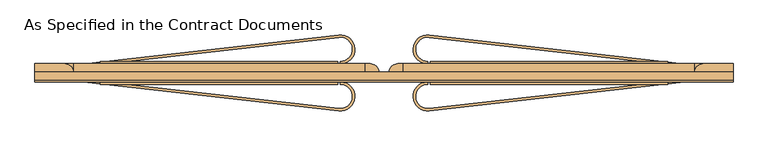
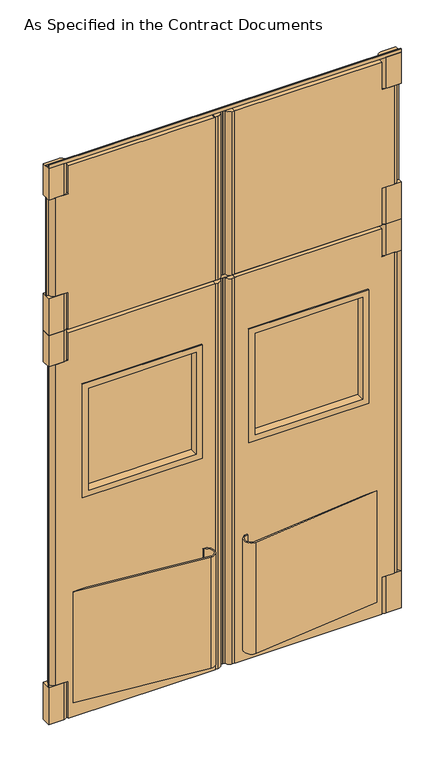
"""IFC4 building model written with IfcOpenShell, lengths in millimetres: door geometry, As Specified in the Contract Documents."""

from ifc_helpers import new_model, si_unit, point, frame, frame_2d, origin, origin_with_axes, place, context, project, spatial, polyline, circle_curve, trimmed, segment, composite_curve, outline, extrude, faceted_brep, source, transform, mapped, element, save
from ifc_brep_helpers import plane_surface, cylinder_surface, advanced_brep


def as_specified_in_the_contract_documents_6c397027(model_context):
    return source(origin(), model_context, "Body", "SolidModel", [
        advanced_brep(
        [(-790.575, 80.1625, 3028.95), (-28.575, 80.1625, 3028.95), (-28.575, 80.1625, 2133.6), (-790.575, 80.1625, 2133.6), (-790.575, 80.1625, 2336.8), (-855.6625, 80.1625, 2336.8), (-855.6625, 80.1625, 2876.55), (-790.575, 80.1625, 2876.55), (-790.575, 32.5375, 3028.95), (-790.575, 32.5375, 2876.55), (-855.6625, 32.5375, 2876.55), (-855.6625, 32.5375, 2336.8), (-790.575, 32.5375, 2336.8), (-790.575, 32.5375, 2133.6), (-28.575, 32.5375, 2133.6), (-28.575, 32.5375, 3028.95)],
        [
            (0, 1),
            (1, 2),
            (2, 3),
            (3, 4),
            (4, 5),
            (5, 6),
            (6, 7),
            (7, 0),
            (8, 9),
            (9, 10),
            (10, 11),
            (11, 12),
            (12, 13),
            (13, 14),
            (14, 15),
            (15, 8),
            (7, 9),
            (8, 0),
            (6, 10, circle_curve(frame((-855.6625, 56.35, 2876.55), z_axis=(0.0, 0.0, 1.0), x_axis=(-1.0, 0.0, 0.0)), 23.8125)),
            (4, 12),
            (11, 5, circle_curve(frame((-855.6625, 56.35, 2336.8), z_axis=(0.0, 0.0, -1.0), x_axis=(-1.0, 0.0, 0.0)), 23.8125)),
            (3, 13),
            (2, 14),
            (1, 15),
        ],
        [
            plane_surface(frame((-790.575, 80.1625, 3028.95), z_axis=(0.0, 1.0, 0.0), x_axis=(0.0, 0.0, -1.0))),
            plane_surface(frame((-790.575, 32.5375, 3028.95), z_axis=(0.0, -1.0, 0.0), x_axis=(0.0, 0.0, 1.0))),
            plane_surface(frame((-790.575, 80.1625, 3028.95), z_axis=(-1.0, 0.0, 0.0), x_axis=(0.0, -1.0, 0.0))),
            plane_surface(frame((-790.575, 80.1625, 2876.55), z_axis=(0.0, 0.0, 1.0), x_axis=(0.0, -1.0, 0.0))),
            plane_surface(frame((-842.9625, 80.1625, 2336.8), z_axis=(0.0, 0.0, -1.0), x_axis=(0.0, -1.0, 0.0))),
            plane_surface(frame((-790.575, 80.1625, 2336.8), z_axis=(-1.0, 0.0, 0.0), x_axis=(0.0, -1.0, 0.0))),
            plane_surface(frame((-790.575, 80.1625, 2133.6), z_axis=(0.0, 0.0, -1.0), x_axis=(0.0, -1.0, 0.0))),
            plane_surface(frame((-28.575, 80.1625, 2133.6), z_axis=(1.0, 0.0, 0.0), x_axis=(0.0, -1.0, 0.0))),
            plane_surface(frame((-28.575, 80.1625, 3028.95), z_axis=(0.0, 0.0, 1.0), x_axis=(0.0, -1.0, 0.0))),
            cylinder_surface(frame((-855.6625, 56.35, 2336.8), z_axis=(0.0, 0.0, 1.0), x_axis=(-1.0, 0.0, 0.0)), 23.8125),
        ],
        [
            (0, [[1, 2, 3, 4, 5, 6, 7, 8]]),
            (1, [[9, 10, 11, 12, 13, 14, 15, 16]]),
            (2, [[17, -9, 18, -8]]),
            (3, [[19, -10, -17, -7]]),
            (4, [[20, -12, 21, -5]]),
            (5, [[22, -13, -20, -4]]),
            (6, [[23, -14, -22, -3]]),
            (7, [[24, -15, -23, -2]]),
            (8, [[-18, -16, -24, -1]]),
            (9, [[-6, -21, -11, -19]]),
        ],
    ),
        extrude(outline(composite_curve([segment(trimmed(circle_curve(frame_2d((-14.2875, 56.35)), 23.8125), [point((-14.2875, 80.1625))], [point((9.4720244, 57.9375))], False, "CARTESIAN"), True, "CONTINUOUS"), segment(polyline([(9.4720244, 57.9375), (22.225, 57.9375), (22.225, 54.7625), (9.4720244, 54.7625)]), True, "CONTINUOUS"), segment(trimmed(circle_curve(frame_2d((-14.2875, 56.35)), 23.8125), [point((9.4720244, 54.7625))], [point((-14.2875, 32.5375))], False, "CARTESIAN"), True, "CONTINUOUS"), segment(polyline([(-14.2875, 32.5375), (-33.3375, 32.5375), (-33.3375, 80.1625), (-14.2875, 80.1625)]), True, "CONTINUOUS")], self_intersect=False)), frame((0.0, 0.0, 2133.6), z_axis=(0.0, 0.0, 1.0), x_axis=(1.0, 0.0, 0.0)), (0.0, 0.0, 1.0), 895.35),
        extrude(outline(composite_curve([segment(polyline([(-814.3875, 32.5375), (-892.175, 32.5375), (-892.175, 80.1625), (-814.3875, 80.1625)]), True, "CONTINUOUS"), segment(trimmed(circle_curve(frame_2d((-814.3875, 56.35)), 23.8125), [point((-814.3875, 80.1625))], [point((-814.3875, 32.5375))], False, "CARTESIAN"), True, "CONTINUOUS")], self_intersect=False)), frame((0.0, 0.0, 2876.55), z_axis=(0.0, 0.0, 1.0), x_axis=(1.0, 0.0, 0.0)), (0.0, 0.0, 1.0), 171.45),
        extrude(outline(composite_curve([segment(polyline([(-814.3875, 32.5375), (-892.175, 32.5375), (-892.175, 80.1625), (-814.3875, 80.1625)]), True, "CONTINUOUS"), segment(trimmed(circle_curve(frame_2d((-814.3875, 56.35)), 23.8125), [point((-814.3875, 80.1625))], [point((-814.3875, 32.5375))], False, "CARTESIAN"), True, "CONTINUOUS")], self_intersect=False)), frame((0.0, 0.0, 2133.6), z_axis=(0.0, 0.0, 1.0), x_axis=(1.0, 0.0, 0.0)), (0.0, 0.0, 1.0), 203.2),
        extrude(outline(polyline([(-879.475, 57.9375), (-879.475, 54.7625), (-892.175, 54.7625), (-892.175, 57.9375), (-879.475, 57.9375)])), frame((0.0, 0.0, 2336.8), z_axis=(0.0, 0.0, 1.0), x_axis=(1.0, 0.0, 0.0)), (0.0, 0.0, 1.0), 539.75),
        advanced_brep(
        [(835.025, 80.1625, 3028.95), (835.025, 80.1625, 2876.55), (900.1125, 80.1625, 2876.55), (900.1125, 80.1625, 2336.8), (835.025, 80.1625, 2336.8), (835.025, 80.1625, 2133.6), (73.025, 80.1625, 2133.6), (73.025, 80.1625, 3028.95), (835.025, 32.5375, 3028.95), (73.025, 32.5375, 3028.95), (73.025, 32.5375, 2133.6), (835.025, 32.5375, 2133.6), (835.025, 32.5375, 2336.8), (900.1125, 32.5375, 2336.8), (900.1125, 32.5375, 2876.55), (835.025, 32.5375, 2876.55)],
        [
            (0, 1),
            (1, 2),
            (2, 3),
            (3, 4),
            (4, 5),
            (5, 6),
            (6, 7),
            (7, 0),
            (8, 9),
            (9, 10),
            (10, 11),
            (11, 12),
            (12, 13),
            (13, 14),
            (14, 15),
            (15, 8),
            (0, 8),
            (15, 1),
            (14, 2, circle_curve(frame((900.1125, 56.35, 2876.55), z_axis=(0.0, 0.0, 1.0), x_axis=(1.0, 0.0, 0.0)), 23.8125)),
            (3, 13, circle_curve(frame((900.1125, 56.35, 2336.8), z_axis=(0.0, 0.0, -1.0), x_axis=(1.0, 0.0, 0.0)), 23.8125)),
            (12, 4),
            (11, 5),
            (10, 6),
            (9, 7),
        ],
        [
            plane_surface(frame((835.025, 80.1625, 3028.95), z_axis=(0.0, 1.0, 0.0), x_axis=(0.0, 0.0, -1.0))),
            plane_surface(frame((835.025, 32.5375, 3028.95), z_axis=(0.0, -1.0, 0.0), x_axis=(0.0, 0.0, 1.0))),
            plane_surface(frame((835.025, 80.1625, 3028.95), z_axis=(1.0, 0.0, 0.0), x_axis=(0.0, -1.0, 0.0))),
            plane_surface(frame((835.025, 80.1625, 2876.55), z_axis=(0.0, 0.0, 1.0), x_axis=(0.0, -1.0, 0.0))),
            plane_surface(frame((887.4125, 80.1625, 2336.8), z_axis=(0.0, 0.0, -1.0), x_axis=(0.0, -1.0, 0.0))),
            plane_surface(frame((835.025, 80.1625, 2336.8), z_axis=(1.0, 0.0, 0.0), x_axis=(0.0, -1.0, 0.0))),
            plane_surface(frame((835.025, 80.1625, 2133.6), z_axis=(0.0, 0.0, -1.0), x_axis=(0.0, -1.0, 0.0))),
            plane_surface(frame((73.025, 80.1625, 2133.6), z_axis=(-1.0, 0.0, 0.0), x_axis=(0.0, -1.0, 0.0))),
            plane_surface(frame((73.025, 80.1625, 3028.95), z_axis=(0.0, 0.0, 1.0), x_axis=(0.0, -1.0, 0.0))),
            cylinder_surface(frame((900.1125, 56.35, 2336.8), z_axis=(0.0, 0.0, 1.0), x_axis=(1.0, 0.0, 0.0)), 23.8125),
        ],
        [
            (0, [[1, 2, 3, 4, 5, 6, 7, 8]]),
            (1, [[9, 10, 11, 12, 13, 14, 15, 16]]),
            (2, [[-1, 17, -16, 18]]),
            (3, [[-2, -18, -15, 19]]),
            (4, [[-4, 20, -13, 21]]),
            (5, [[-5, -21, -12, 22]]),
            (6, [[-6, -22, -11, 23]]),
            (7, [[-7, -23, -10, 24]]),
            (8, [[-8, -24, -9, -17]]),
            (9, [[-19, -14, -20, -3]]),
        ],
    ),
        extrude(outline(composite_curve([segment(polyline([(58.7375, 80.1625), (77.7875, 80.1625), (77.7875, 32.5375), (58.7375, 32.5375)]), True, "CONTINUOUS"), segment(trimmed(circle_curve(frame_2d((58.7375, 56.35)), 23.8125), [point((58.7375, 32.5375))], [point((34.9779756, 54.7625))], False, "CARTESIAN"), True, "CONTINUOUS"), segment(polyline([(34.9779756, 54.7625), (22.225, 54.7625), (22.225, 57.9375), (34.9779756, 57.9375)]), True, "CONTINUOUS"), segment(trimmed(circle_curve(frame_2d((58.7375, 56.35)), 23.8125), [point((34.9779756, 57.9375))], [point((58.7375, 80.1625))], False, "CARTESIAN"), True, "CONTINUOUS")], self_intersect=False)), frame((0.0, 0.0, 2133.6), z_axis=(0.0, 0.0, 1.0), x_axis=(1.0, 0.0, 0.0)), (0.0, 0.0, 1.0), 895.35),
        extrude(outline(composite_curve([segment(trimmed(circle_curve(frame_2d((858.8375, 56.35)), 23.8125), [point((858.8375, 32.5375))], [point((858.8375, 80.1625))], False, "CARTESIAN"), True, "CONTINUOUS"), segment(polyline([(858.8375, 80.1625), (936.625, 80.1625), (936.625, 32.5375), (858.8375, 32.5375)]), True, "CONTINUOUS")], self_intersect=False)), frame((0.0, 0.0, 2876.55), z_axis=(0.0, 0.0, 1.0), x_axis=(1.0, 0.0, 0.0)), (0.0, 0.0, 1.0), 171.45),
        extrude(outline(composite_curve([segment(trimmed(circle_curve(frame_2d((858.8375, 56.35)), 23.8125), [point((858.8375, 32.5375))], [point((858.8375, 80.1625))], False, "CARTESIAN"), True, "CONTINUOUS"), segment(polyline([(858.8375, 80.1625), (936.625, 80.1625), (936.625, 32.5375), (858.8375, 32.5375)]), True, "CONTINUOUS")], self_intersect=False)), frame((0.0, 0.0, 2133.6), z_axis=(0.0, 0.0, 1.0), x_axis=(1.0, 0.0, 0.0)), (0.0, 0.0, 1.0), 203.2),
        extrude(outline(polyline([(923.925, 57.9375), (936.625, 57.9375), (936.625, 54.7625), (923.925, 54.7625), (923.925, 57.9375)])), frame((0.0, 0.0, 2336.8), z_axis=(0.0, 0.0, 1.0), x_axis=(1.0, 0.0, 0.0)), (0.0, 0.0, 1.0), 539.75),
        extrude(outline(composite_curve([segment(polyline([(-96.3744322, -43.4191359), (-765.175, 32.5375), (-708.9036164, 32.5375), (-95.6578602, -37.1096966)]), True, "CONTINUOUS"), segment(trimmed(circle_curve(frame_2d((-92.075, -5.5625)), 31.75), [point((-95.6578602, -37.1096966))], [point((-92.075, 26.1875))], True, "CARTESIAN"), True, "CONTINUOUS"), segment(polyline([(-92.075, 26.1875), (-92.075, 32.5375)]), True, "CONTINUOUS"), segment(trimmed(circle_curve(frame_2d((-92.075, -5.5625)), 38.1), [point((-92.075, 32.5375))], [point((-96.3744322, -43.4191359))], False, "CARTESIAN"), True, "CONTINUOUS")], self_intersect=False)), frame((0.0, 0.0, 76.2), z_axis=(0.0, 0.0, 1.0), x_axis=(1.0, 0.0, 0.0)), (0.0, 0.0, 1.0), 609.6),
        extrude(outline(composite_curve([segment(trimmed(circle_curve(frame_2d((-92.075, 118.2625)), 38.1), [point((-96.3744322, 156.1191359))], [point((-92.075, 80.1625))], False, "CARTESIAN"), True, "CONTINUOUS"), segment(polyline([(-92.075, 80.1625), (-92.075, 86.5125)]), True, "CONTINUOUS"), segment(trimmed(circle_curve(frame_2d((-92.075, 118.2625)), 31.75), [point((-92.075, 86.5125))], [point((-95.6578602, 149.8096966))], True, "CARTESIAN"), True, "CONTINUOUS"), segment(polyline([(-95.6578602, 149.8096966), (-708.9036164, 80.1625), (-765.175, 80.1625), (-96.3744322, 156.1191359)]), True, "CONTINUOUS")], self_intersect=False)), frame((0.0, 0.0, 76.2), z_axis=(0.0, 0.0, 1.0), x_axis=(1.0, 0.0, 0.0)), (0.0, 0.0, 1.0), 609.6),
        extrude(outline(polyline([(-892.175, 35.7125), (-879.475, 57.9375), (-879.475, 54.7625), (-892.175, 32.5375), (-892.175, 35.7125)])), frame((0.0, 0.0, 203.2), z_axis=(0.0, 0.0, 1.0), x_axis=(1.0, 0.0, 0.0)), (0.0, 0.0, 1.0), 1758.95),
        advanced_brep(
        [(-790.575, 80.1625, 2114.55), (-28.575, 80.1625, 2114.55), (-28.575, 80.1625, 0.0), (-790.575, 80.1625, 0.0), (-790.575, 80.1625, 203.2), (-855.6625, 80.1625, 203.2), (-855.6625, 80.1625, 1962.15), (-790.575, 80.1625, 1962.15), (-695.325, 80.1625, 1784.35), (-695.325, 80.1625, 1212.85), (-123.825, 80.1625, 1212.85), (-123.825, 80.1625, 1784.35), (-790.575, 32.5375, 2114.55), (-790.575, 32.5375, 1962.15), (-855.6625, 32.5375, 1962.15), (-855.6625, 32.5375, 203.2), (-790.575, 32.5375, 203.2), (-790.575, 32.5375, 0.0), (-28.575, 32.5375, 0.0), (-28.575, 32.5375, 2114.55), (-695.325, 32.5375, 1784.35), (-123.825, 32.5375, 1784.35), (-123.825, 32.5375, 1212.85), (-695.325, 32.5375, 1212.85)],
        [
            (0, 1),
            (1, 2),
            (2, 3),
            (3, 4),
            (4, 5),
            (5, 6),
            (6, 7),
            (7, 0),
            (8, 9),
            (9, 10),
            (10, 11),
            (11, 8),
            (12, 13),
            (13, 14),
            (14, 15),
            (15, 16),
            (16, 17),
            (17, 18),
            (18, 19),
            (19, 12),
            (20, 21),
            (21, 22),
            (22, 23),
            (23, 20),
            (7, 13),
            (12, 0),
            (6, 14, circle_curve(frame((-855.6625, 56.35, 1962.15), z_axis=(0.0, 0.0, 1.0), x_axis=(-1.0, 0.0, 0.0)), 23.8125)),
            (4, 16),
            (15, 5, circle_curve(frame((-855.6625, 56.35, 203.2), z_axis=(0.0, 0.0, -1.0), x_axis=(-1.0, 0.0, 0.0)), 23.8125)),
            (3, 17),
            (2, 18),
            (1, 19),
            (11, 21),
            (20, 8),
            (10, 22),
            (9, 23),
        ],
        [
            plane_surface(frame((-790.575, 80.1625, 2114.55), z_axis=(0.0, 1.0, 0.0), x_axis=(0.0, 0.0, -1.0))),
            plane_surface(frame((-790.575, 32.5375, 2114.55), z_axis=(0.0, -1.0, 0.0), x_axis=(0.0, 0.0, 1.0))),
            plane_surface(frame((-790.575, 80.1625, 2114.55), z_axis=(-1.0, 0.0, 0.0), x_axis=(0.0, -1.0, 0.0))),
            plane_surface(frame((-790.575, 80.1625, 1962.15), z_axis=(0.0, 0.0, 1.0), x_axis=(0.0, -1.0, 0.0))),
            plane_surface(frame((-842.9625, 80.1625, 203.2), z_axis=(0.0, 0.0, -1.0), x_axis=(0.0, -1.0, 0.0))),
            plane_surface(frame((-790.575, 80.1625, 203.2), z_axis=(-1.0, 0.0, 0.0), x_axis=(0.0, -1.0, 0.0))),
            plane_surface(frame((-790.575, 80.1625, 0.0), z_axis=(0.0, 0.0, -1.0), x_axis=(0.0, -1.0, 0.0))),
            plane_surface(frame((-28.575, 80.1625, 0.0), z_axis=(1.0, 0.0, 0.0), x_axis=(0.0, -1.0, 0.0))),
            plane_surface(frame((-28.575, 80.1625, 2114.55), z_axis=(0.0, 0.0, 1.0), x_axis=(0.0, -1.0, 0.0))),
            plane_surface(frame((-695.325, 80.1625, 1784.35), z_axis=(0.0, 0.0, -1.0), x_axis=(0.0, -1.0, 0.0))),
            plane_surface(frame((-123.825, 80.1625, 1784.35), z_axis=(-1.0, 0.0, 0.0), x_axis=(0.0, -1.0, 0.0))),
            plane_surface(frame((-123.825, 80.1625, 1212.85), z_axis=(0.0, 0.0, 1.0), x_axis=(0.0, -1.0, 0.0))),
            plane_surface(frame((-695.325, 80.1625, 1212.85), z_axis=(1.0, 0.0, 0.0), x_axis=(0.0, -1.0, 0.0))),
            cylinder_surface(frame((-855.6625, 56.35, 203.2), z_axis=(0.0, 0.0, 1.0), x_axis=(-1.0, 0.0, 0.0)), 23.8125),
        ],
        [
            (0, [[1, 2, 3, 4, 5, 6, 7, 8], [9, 10, 11, 12]]),
            (1, [[13, 14, 15, 16, 17, 18, 19, 20], [21, 22, 23, 24]]),
            (2, [[25, -13, 26, -8]]),
            (3, [[27, -14, -25, -7]]),
            (4, [[28, -16, 29, -5]]),
            (5, [[30, -17, -28, -4]]),
            (6, [[31, -18, -30, -3]]),
            (7, [[32, -19, -31, -2]]),
            (8, [[-26, -20, -32, -1]]),
            (9, [[33, -21, 34, -12]]),
            (10, [[35, -22, -33, -11]]),
            (11, [[36, -23, -35, -10]]),
            (12, [[-34, -24, -36, -9]]),
            (13, [[-6, -29, -15, -27]]),
        ],
    ),
        extrude(outline(composite_curve([segment(trimmed(circle_curve(frame_2d((-14.2875, 56.35)), 23.8125), [point((-14.2875, 80.1625))], [point((9.4720244, 57.9375))], False, "CARTESIAN"), True, "CONTINUOUS"), segment(polyline([(9.4720244, 57.9375), (22.225, 57.9375), (22.225, 54.7625), (9.4720244, 54.7625)]), True, "CONTINUOUS"), segment(trimmed(circle_curve(frame_2d((-14.2875, 56.35)), 23.8125), [point((9.4720244, 54.7625))], [point((-14.2875, 32.5375))], False, "CARTESIAN"), True, "CONTINUOUS"), segment(polyline([(-14.2875, 32.5375), (-33.3375, 32.5375), (-33.3375, 80.1625), (-14.2875, 80.1625)]), True, "CONTINUOUS")], self_intersect=False)), origin_with_axes(), (0.0, 0.0, 1.0), 2114.55),
        extrude(outline(composite_curve([segment(polyline([(-814.3875, 32.5375), (-892.175, 32.5375), (-892.175, 80.1625), (-814.3875, 80.1625)]), True, "CONTINUOUS"), segment(trimmed(circle_curve(frame_2d((-814.3875, 56.35)), 23.8125), [point((-814.3875, 80.1625))], [point((-814.3875, 32.5375))], False, "CARTESIAN"), True, "CONTINUOUS")], self_intersect=False)), frame((0.0, 0.0, 1962.15), z_axis=(0.0, 0.0, 1.0), x_axis=(1.0, 0.0, 0.0)), (0.0, 0.0, 1.0), 171.45),
        extrude(outline(composite_curve([segment(polyline([(-814.3875, 32.5375), (-892.175, 32.5375), (-892.175, 80.1625), (-814.3875, 80.1625)]), True, "CONTINUOUS"), segment(trimmed(circle_curve(frame_2d((-814.3875, 56.35)), 23.8125), [point((-814.3875, 80.1625))], [point((-814.3875, 32.5375))], False, "CARTESIAN"), True, "CONTINUOUS")], self_intersect=False)), origin_with_axes(), (0.0, 0.0, 1.0), 203.2),
        extrude(outline(polyline([(-688.975, 70.6375), (-688.975, 73.8125), (-130.175, 73.8125), (-130.175, 70.6375), (-688.975, 70.6375)])), frame((0.0, 0.0, 1219.2), z_axis=(0.0, 0.0, 1.0), x_axis=(1.0, 0.0, 0.0)), (0.0, 0.0, 1.0), 558.8),
        faceted_brep([(-130.175, 26.1875, 1778.0), (-688.975, 26.1875, 1778.0), (-688.975, 86.5125, 1778.0), (-130.175, 86.5125, 1778.0), (-98.425, 32.5375, 1809.75), (-720.725, 32.5375, 1809.75), (-720.725, 26.1875, 1809.75), (-98.425, 26.1875, 1809.75), (-123.825, 80.1625, 1784.35), (-695.325, 80.1625, 1784.35), (-695.325, 32.5375, 1784.35), (-123.825, 32.5375, 1784.35), (-98.425, 86.5125, 1809.75), (-720.725, 86.5125, 1809.75), (-720.725, 80.1625, 1809.75), (-98.425, 80.1625, 1809.75), (-688.975, 26.1875, 1219.2), (-688.975, 86.5125, 1219.2), (-720.725, 32.5375, 1187.45), (-720.725, 26.1875, 1187.45), (-695.325, 80.1625, 1212.85), (-695.325, 32.5375, 1212.85), (-720.725, 86.5125, 1187.45), (-720.725, 80.1625, 1187.45), (-130.175, 26.1875, 1219.2), (-130.175, 86.5125, 1219.2), (-98.425, 32.5375, 1187.45), (-98.425, 26.1875, 1187.45), (-123.825, 80.1625, 1212.85), (-123.825, 32.5375, 1212.85), (-98.425, 86.5125, 1187.45), (-98.425, 80.1625, 1187.45)], [[[0, 1, 2, 3]], [[4, 5, 6, 7]], [[8, 9, 10, 11]], [[12, 13, 14, 15]], [[1, 16, 17, 2]], [[5, 18, 19, 6]], [[9, 20, 21, 10]], [[13, 22, 23, 14]], [[16, 24, 25, 17]], [[18, 26, 27, 19]], [[20, 28, 29, 21]], [[22, 30, 31, 23]], [[24, 0, 3, 25]], [[7, 6, 19, 27], [1, 0, 24, 16]], [[26, 4, 7, 27]], [[5, 4, 26, 18], [11, 10, 21, 29]], [[28, 8, 11, 29]], [[15, 14, 23, 31], [9, 8, 28, 20]], [[30, 12, 15, 31]], [[13, 12, 30, 22], [3, 2, 17, 25]]]),
        extrude(outline(composite_curve([segment(trimmed(circle_curve(frame_2d((136.525, -5.5625)), 38.1), [point((140.8244322, -43.4191359))], [point((136.525, 32.5375))], False, "CARTESIAN"), True, "CONTINUOUS"), segment(polyline([(136.525, 32.5375), (136.525, 26.1875)]), True, "CONTINUOUS"), segment(trimmed(circle_curve(frame_2d((136.525, -5.5625)), 31.75), [point((136.525, 26.1875))], [point((140.1078602, -37.1096966))], True, "CARTESIAN"), True, "CONTINUOUS"), segment(polyline([(140.1078602, -37.1096966), (753.3536164, 32.5375), (809.625, 32.5375), (140.8244322, -43.4191359)]), True, "CONTINUOUS")], self_intersect=False)), frame((0.0, 0.0, 76.2), z_axis=(0.0, 0.0, 1.0), x_axis=(1.0, 0.0, 0.0)), (0.0, 0.0, 1.0), 609.6),
        extrude(outline(composite_curve([segment(polyline([(140.8244322, 156.1191359), (809.625, 80.1625), (753.3536164, 80.1625), (140.1078602, 149.8096966)]), True, "CONTINUOUS"), segment(trimmed(circle_curve(frame_2d((136.525, 118.2625)), 31.75), [point((140.1078602, 149.8096966))], [point((136.525, 86.5125))], True, "CARTESIAN"), True, "CONTINUOUS"), segment(polyline([(136.525, 86.5125), (136.525, 80.1625)]), True, "CONTINUOUS"), segment(trimmed(circle_curve(frame_2d((136.525, 118.2625)), 38.1), [point((136.525, 80.1625))], [point((140.8244322, 156.1191359))], False, "CARTESIAN"), True, "CONTINUOUS")], self_intersect=False)), frame((0.0, 0.0, 76.2), z_axis=(0.0, 0.0, 1.0), x_axis=(1.0, 0.0, 0.0)), (0.0, 0.0, 1.0), 609.6),
        extrude(outline(polyline([(936.625, 35.7125), (936.625, 32.5375), (923.925, 54.7625), (923.925, 57.9375), (936.625, 35.7125)])), frame((0.0, 0.0, 203.2), z_axis=(0.0, 0.0, 1.0), x_axis=(1.0, 0.0, 0.0)), (0.0, 0.0, 1.0), 1758.95),
        advanced_brep(
        [(835.025, 80.1625, 2114.55), (835.025, 80.1625, 1962.15), (900.1125, 80.1625, 1962.15), (900.1125, 80.1625, 203.2), (835.025, 80.1625, 203.2), (835.025, 80.1625, 0.0), (73.025, 80.1625, 0.0), (73.025, 80.1625, 2114.55), (739.775, 80.1625, 1784.35), (168.275, 80.1625, 1784.35), (168.275, 80.1625, 1212.85), (739.775, 80.1625, 1212.85), (835.025, 32.5375, 2114.55), (73.025, 32.5375, 2114.55), (73.025, 32.5375, 0.0), (835.025, 32.5375, 0.0), (835.025, 32.5375, 203.2), (900.1125, 32.5375, 203.2), (900.1125, 32.5375, 1962.15), (835.025, 32.5375, 1962.15), (739.775, 32.5375, 1784.35), (739.775, 32.5375, 1212.85), (168.275, 32.5375, 1212.85), (168.275, 32.5375, 1784.35)],
        [
            (0, 1),
            (1, 2),
            (2, 3),
            (3, 4),
            (4, 5),
            (5, 6),
            (6, 7),
            (7, 0),
            (8, 9),
            (9, 10),
            (10, 11),
            (11, 8),
            (12, 13),
            (13, 14),
            (14, 15),
            (15, 16),
            (16, 17),
            (17, 18),
            (18, 19),
            (19, 12),
            (20, 21),
            (21, 22),
            (22, 23),
            (23, 20),
            (0, 12),
            (19, 1),
            (18, 2, circle_curve(frame((900.1125, 56.35, 1962.15), z_axis=(0.0, 0.0, 1.0), x_axis=(1.0, 0.0, 0.0)), 23.8125)),
            (3, 17, circle_curve(frame((900.1125, 56.35, 203.2), z_axis=(0.0, 0.0, -1.0), x_axis=(1.0, 0.0, 0.0)), 23.8125)),
            (16, 4),
            (15, 5),
            (14, 6),
            (13, 7),
            (8, 20),
            (23, 9),
            (22, 10),
            (21, 11),
        ],
        [
            plane_surface(frame((835.025, 80.1625, 2114.55), z_axis=(0.0, 1.0, 0.0), x_axis=(0.0, 0.0, -1.0))),
            plane_surface(frame((835.025, 32.5375, 2114.55), z_axis=(0.0, -1.0, 0.0), x_axis=(0.0, 0.0, 1.0))),
            plane_surface(frame((835.025, 80.1625, 2114.55), z_axis=(1.0, 0.0, 0.0), x_axis=(0.0, -1.0, 0.0))),
            plane_surface(frame((835.025, 80.1625, 1962.15), z_axis=(0.0, 0.0, 1.0), x_axis=(0.0, -1.0, 0.0))),
            plane_surface(frame((887.4125, 80.1625, 203.2), z_axis=(0.0, 0.0, -1.0), x_axis=(0.0, -1.0, 0.0))),
            plane_surface(frame((835.025, 80.1625, 203.2), z_axis=(1.0, 0.0, 0.0), x_axis=(0.0, -1.0, 0.0))),
            plane_surface(frame((835.025, 80.1625, 0.0), z_axis=(0.0, 0.0, -1.0), x_axis=(0.0, -1.0, 0.0))),
            plane_surface(frame((73.025, 80.1625, 0.0), z_axis=(-1.0, 0.0, 0.0), x_axis=(0.0, -1.0, 0.0))),
            plane_surface(frame((73.025, 80.1625, 2114.55), z_axis=(0.0, 0.0, 1.0), x_axis=(0.0, -1.0, 0.0))),
            plane_surface(frame((739.775, 80.1625, 1784.35), z_axis=(0.0, 0.0, -1.0), x_axis=(0.0, -1.0, 0.0))),
            plane_surface(frame((168.275, 80.1625, 1784.35), z_axis=(1.0, 0.0, 0.0), x_axis=(0.0, -1.0, 0.0))),
            plane_surface(frame((168.275, 80.1625, 1212.85), z_axis=(0.0, 0.0, 1.0), x_axis=(0.0, -1.0, 0.0))),
            plane_surface(frame((739.775, 80.1625, 1212.85), z_axis=(-1.0, 0.0, 0.0), x_axis=(0.0, -1.0, 0.0))),
            cylinder_surface(frame((900.1125, 56.35, 203.2), z_axis=(0.0, 0.0, 1.0), x_axis=(1.0, 0.0, 0.0)), 23.8125),
        ],
        [
            (0, [[1, 2, 3, 4, 5, 6, 7, 8], [9, 10, 11, 12]]),
            (1, [[13, 14, 15, 16, 17, 18, 19, 20], [21, 22, 23, 24]]),
            (2, [[-1, 25, -20, 26]]),
            (3, [[-2, -26, -19, 27]]),
            (4, [[-4, 28, -17, 29]]),
            (5, [[-5, -29, -16, 30]]),
            (6, [[-6, -30, -15, 31]]),
            (7, [[-7, -31, -14, 32]]),
            (8, [[-8, -32, -13, -25]]),
            (9, [[-9, 33, -24, 34]]),
            (10, [[-10, -34, -23, 35]]),
            (11, [[-11, -35, -22, 36]]),
            (12, [[-12, -36, -21, -33]]),
            (13, [[-27, -18, -28, -3]]),
        ],
    ),
        extrude(outline(composite_curve([segment(polyline([(58.7375, 80.1625), (77.7875, 80.1625), (77.7875, 32.5375), (58.7375, 32.5375)]), True, "CONTINUOUS"), segment(trimmed(circle_curve(frame_2d((58.7375, 56.35)), 23.8125), [point((58.7375, 32.5375))], [point((34.9779756, 54.7625))], False, "CARTESIAN"), True, "CONTINUOUS"), segment(polyline([(34.9779756, 54.7625), (22.225, 54.7625), (22.225, 57.9375), (34.9779756, 57.9375)]), True, "CONTINUOUS"), segment(trimmed(circle_curve(frame_2d((58.7375, 56.35)), 23.8125), [point((34.9779756, 57.9375))], [point((58.7375, 80.1625))], False, "CARTESIAN"), True, "CONTINUOUS")], self_intersect=False)), origin_with_axes(), (0.0, 0.0, 1.0), 2114.55),
        extrude(outline(composite_curve([segment(trimmed(circle_curve(frame_2d((858.8375, 56.35)), 23.8125), [point((858.8375, 32.5375))], [point((858.8375, 80.1625))], False, "CARTESIAN"), True, "CONTINUOUS"), segment(polyline([(858.8375, 80.1625), (936.625, 80.1625), (936.625, 32.5375), (858.8375, 32.5375)]), True, "CONTINUOUS")], self_intersect=False)), frame((0.0, 0.0, 1962.15), z_axis=(0.0, 0.0, 1.0), x_axis=(1.0, 0.0, 0.0)), (0.0, 0.0, 1.0), 171.45),
        extrude(outline(composite_curve([segment(trimmed(circle_curve(frame_2d((858.8375, 56.35)), 23.8125), [point((858.8375, 32.5375))], [point((858.8375, 80.1625))], False, "CARTESIAN"), True, "CONTINUOUS"), segment(polyline([(858.8375, 80.1625), (936.625, 80.1625), (936.625, 32.5375), (858.8375, 32.5375)]), True, "CONTINUOUS")], self_intersect=False)), origin_with_axes(), (0.0, 0.0, 1.0), 203.2),
        extrude(outline(polyline([(733.425, 70.6375), (174.625, 70.6375), (174.625, 73.8125), (733.425, 73.8125), (733.425, 70.6375)])), frame((0.0, 0.0, 1219.2), z_axis=(0.0, 0.0, 1.0), x_axis=(1.0, 0.0, 0.0)), (0.0, 0.0, 1.0), 558.8),
        faceted_brep([(174.625, 26.1875, 1778.0), (174.625, 86.5125, 1778.0), (733.425, 86.5125, 1778.0), (733.425, 26.1875, 1778.0), (142.875, 32.5375, 1809.75), (142.875, 26.1875, 1809.75), (765.175, 26.1875, 1809.75), (765.175, 32.5375, 1809.75), (168.275, 80.1625, 1784.35), (168.275, 32.5375, 1784.35), (739.775, 32.5375, 1784.35), (739.775, 80.1625, 1784.35), (142.875, 86.5125, 1809.75), (142.875, 80.1625, 1809.75), (765.175, 80.1625, 1809.75), (765.175, 86.5125, 1809.75), (733.425, 86.5125, 1219.2), (733.425, 26.1875, 1219.2), (765.175, 26.1875, 1187.45), (765.175, 32.5375, 1187.45), (739.775, 32.5375, 1212.85), (739.775, 80.1625, 1212.85), (765.175, 80.1625, 1187.45), (765.175, 86.5125, 1187.45), (174.625, 86.5125, 1219.2), (174.625, 26.1875, 1219.2), (142.875, 26.1875, 1187.45), (142.875, 32.5375, 1187.45), (168.275, 32.5375, 1212.85), (168.275, 80.1625, 1212.85), (142.875, 80.1625, 1187.45), (142.875, 86.5125, 1187.45)], [[[0, 1, 2, 3]], [[4, 5, 6, 7]], [[8, 9, 10, 11]], [[12, 13, 14, 15]], [[3, 2, 16, 17]], [[7, 6, 18, 19]], [[11, 10, 20, 21]], [[15, 14, 22, 23]], [[17, 16, 24, 25]], [[19, 18, 26, 27]], [[21, 20, 28, 29]], [[23, 22, 30, 31]], [[25, 24, 1, 0]], [[5, 26, 18, 6], [3, 17, 25, 0]], [[27, 26, 5, 4]], [[7, 19, 27, 4], [9, 28, 20, 10]], [[29, 28, 9, 8]], [[13, 30, 22, 14], [11, 21, 29, 8]], [[31, 30, 13, 12]], [[15, 23, 31, 12], [1, 24, 16, 2]]]),
        extrude(outline(polyline([(835.025, 57.9375), (835.025, 54.7625), (-790.575, 54.7625), (-790.575, 57.9375), (835.025, 57.9375)])), frame((0.0, 0.0, 2114.55), z_axis=(0.0, 0.0, 1.0), x_axis=(1.0, 0.0, 0.0)), (0.0, 0.0, 1.0), 19.05),
        extrude(outline(polyline([(54.7625, 3048.0), (32.5375, 3048.0), (32.5375, 3067.05), (35.7125, 3067.05), (35.7125, 3051.175), (57.9375, 3051.175), (57.9375, 3028.95), (54.7625, 3028.95), (54.7625, 3048.0)])), frame((-892.175, 0.0, 0.0), z_axis=(1.0, 0.0, 0.0), x_axis=(0.0, 1.0, 0.0)), (0.0, 0.0, 1.0), 1828.8),
    ])


if __name__ == "__main__":
    model = new_model("IFC4")
    model_context = context("Model", 3, world=origin())
    ifc_project = project(units=[si_unit("LENGTHUNIT", "METRE", prefix="MILLI")], contexts=[model_context])
    site = spatial("IfcSite", under=ifc_project)
    building = spatial("IfcBuilding", under=site)
    placement = place(None, origin())
    as_specified_in_the_contract_documents_shape = as_specified_in_the_contract_documents_6c397027(model_context)
    element("IfcDoor", 1, ObjectType="As Specified in the Contract Documents", at=placement, inside=building, context=model_context, shape_type="MappedRepresentation", body=[
        mapped(as_specified_in_the_contract_documents_shape, transform((0.0, 0.0, 0.0), x_axis=(1.0, 0.0, 0.0), y_axis=(0.0, 1.0, 0.0), z_axis=(0.0, 0.0, 1.0))),
    ])
    save(model, "model.ifc")
